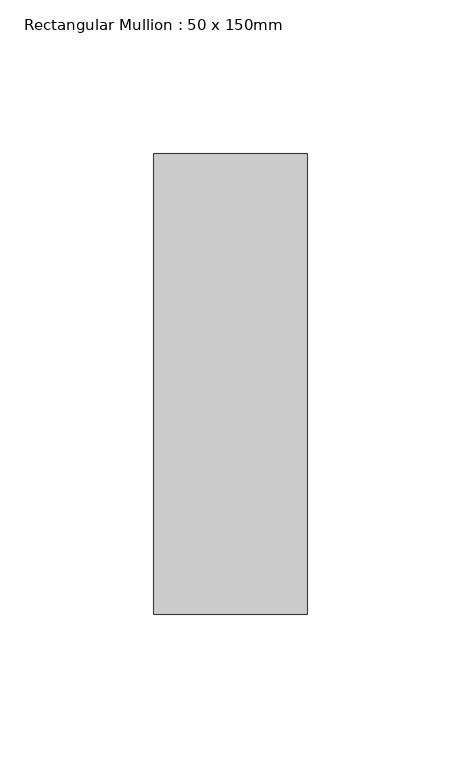
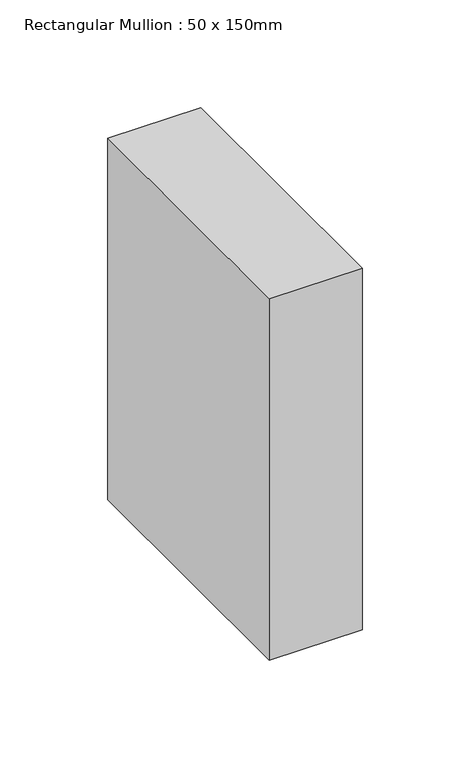
"""IFC4 building model written with IfcOpenShell, lengths in millimetres: member geometry, Rectangular Mullion : 50 x 150mm."""

import ifcopenshell
import ifcopenshell.guid

model = None  # the IFC model being written
_history = None  # IfcOwnerHistory: only IFC2X3 demands one
_inside = {}  # id of a spatial element -> (the spatial element, [elements in it])
_under = {}  # id of a project, library or spatial element -> (it, [spatial elements below it])
_declared = {}  # id of a project -> (the project, [libraries it declares])
_typed = {}  # id of a type object -> (the type object, [elements of that type])
_made_of = {}  # id of a material, layer set ... -> (it, [elements and type objects made of it])


def new_model(schema):
    """Start an empty IFC model of exactly this schema.

    Asked for "IFC4X3", IfcOpenShell would pick the latest addendum, in which some entities
    have other attributes; the version numbers below select the first issue.
    IFC2X3 requires an IfcOwnerHistory on every rooted entity: one is made here for all.
    """
    global model, _history
    if schema == "IFC4X3":
        model = ifcopenshell.file(schema_version=(4, 3, 0, 0))
    else:
        model = ifcopenshell.file(schema=schema)
    _inside.clear()
    _under.clear()
    _declared.clear()
    _typed.clear()
    _made_of.clear()
    _history = None
    if model.schema == "IFC2X3":
        org = make("IfcOrganization", Name="unknown")
        user = make(
            "IfcPersonAndOrganization",
            ThePerson=make("IfcPerson", FamilyName="unknown"),
            TheOrganization=org,
        )
        app = make(
            "IfcApplication",
            ApplicationDeveloper=org,
            Version="unknown",
            ApplicationFullName="unknown",
            ApplicationIdentifier="unknown",
        )
        _history = make(
            "IfcOwnerHistory",
            OwningUser=user,
            OwningApplication=app,
            ChangeAction="ADDED",
            CreationDate=0,
        )
    return model


def make(cls, **values):
    """One entity of the class cls with the attributes given. An attribute that is None is left unset."""
    return model.create_entity(
        cls, **{name: value for name, value in values.items() if value is not None}
    )


def rooted(cls, **values):
    """An entity with a GlobalId (a new one), such as an element, a storey or a relation."""
    return make(cls, GlobalId=ifcopenshell.guid.new(), OwnerHistory=_history, **values)


def si_unit(unit_type, name, prefix=None):
    """IfcSIUnit, for example si_unit("LENGTHUNIT", "METRE", prefix="MILLI")."""
    return make("IfcSIUnit", UnitType=unit_type, Prefix=prefix, Name=name)


def assignment(units):
    """IfcUnitAssignment: the units of a project."""
    return None if units is None else make("IfcUnitAssignment", Units=units)


def point(xyz):
    """IfcCartesianPoint."""
    return None if xyz is None else make("IfcCartesianPoint", Coordinates=xyz)


def direction(xyz):
    """IfcDirection."""
    return None if xyz is None else make("IfcDirection", DirectionRatios=xyz)


def frame(location, z_axis=None, x_axis=None):
    """IfcAxis2Placement3D, a coordinate frame: its origin and axes. An axis left out is left unset."""
    return make(
        "IfcAxis2Placement3D",
        Location=point(location),
        Axis=direction(z_axis),
        RefDirection=direction(x_axis),
    )


def origin():
    """The frame at (0, 0, 0) with its axes left unset."""
    return frame((0.0, 0.0, 0.0))


def place(relative_to, where):
    """IfcLocalPlacement: puts the frame where relative to a parent placement (None: the world)."""
    return make(
        "IfcLocalPlacement", PlacementRelTo=relative_to, RelativePlacement=where
    )


def context(
    kind, dimensions, precision=None, world=None, true_north=None, identifier=None
):
    """IfcGeometricRepresentationContext, for example the 3D "Model" context."""
    return make(
        "IfcGeometricRepresentationContext",
        ContextIdentifier=identifier,
        ContextType=kind,
        CoordinateSpaceDimension=dimensions,
        Precision=precision,
        WorldCoordinateSystem=world,
        TrueNorth=true_north,
    )


def project(units=None, contexts=None):
    """IfcProject with its units and contexts."""
    return rooted(
        "IfcProject",
        Name="project",
        RepresentationContexts=contexts,
        UnitsInContext=assignment(units),
    )


def spatial(cls, under=None, at=None, **own):
    """A site, building, storey or space (cls), placed at a placement, below another one or the project."""
    s = rooted(cls, ObjectPlacement=at, **own)
    if under is not None:
        _under.setdefault(under.id(), (under, []))[1].append(s)
    return s


def polyline(points):
    """IfcPolyline through the points."""
    return make("IfcPolyline", Points=[point(p) for p in points])


def outline(outer, holes=None, kind="AREA"):
    """IfcArbitraryClosedProfileDef: a profile drawn as a closed curve; with holes, ...WithVoids."""
    if holes is None:
        return make("IfcArbitraryClosedProfileDef", ProfileType=kind, OuterCurve=outer)
    return make(
        "IfcArbitraryProfileDefWithVoids",
        ProfileType=kind,
        OuterCurve=outer,
        InnerCurves=holes,
    )


def extrude(swept, where, along, depth):
    """IfcExtrudedAreaSolid: the profile swept, set in the frame where, extruded along a direction by depth."""
    return make(
        "IfcExtrudedAreaSolid",
        SweptArea=swept,
        Position=where,
        ExtrudedDirection=direction(along),
        Depth=depth,
    )


def shape(context_of_items, identifier, shape_type, items):
    """IfcShapeRepresentation: the items that make up one representation, for example the "Body"."""
    return make(
        "IfcShapeRepresentation",
        ContextOfItems=context_of_items,
        RepresentationIdentifier=identifier,
        RepresentationType=shape_type,
        Items=items,
    )


def source(mapping_origin, context_of_items, identifier, shape_type, items):
    """IfcRepresentationMap: a shape defined once, which mapped items show again and again."""
    return make(
        "IfcRepresentationMap",
        MappingOrigin=mapping_origin,
        MappedRepresentation=shape(context_of_items, identifier, shape_type, items),
    )


def transform(
    local_origin,
    x_axis=None,
    y_axis=None,
    z_axis=None,
    scale=None,
    scale2=None,
    scale3=None,
    uniform=True,
):
    """IfcCartesianTransformationOperator3D, or its non-uniform kind. x_axis, y_axis, z_axis: its Axis1, 2, 3."""
    if uniform:
        return make(
            "IfcCartesianTransformationOperator3D",
            Axis1=direction(x_axis),
            Axis2=direction(y_axis),
            LocalOrigin=point(local_origin),
            Scale=scale,
            Axis3=direction(z_axis),
        )
    return make(
        "IfcCartesianTransformationOperator3DnonUniform",
        Axis1=direction(x_axis),
        Axis2=direction(y_axis),
        LocalOrigin=point(local_origin),
        Scale=scale,
        Axis3=direction(z_axis),
        Scale2=scale2,
        Scale3=scale3,
    )


def mapped(mapping_source, mapping_target):
    """IfcMappedItem: shows the shape of a source again, moved by a transform."""
    return make(
        "IfcMappedItem", MappingSource=mapping_source, MappingTarget=mapping_target
    )


def made_of(thing, what):
    """Note that an element or type object is made of a material, layer set ...; save() writes the relation."""
    if what is not None:
        _made_of.setdefault(what.id(), (what, []))[1].append(thing)
    return thing


def element(
    cls,
    number,
    at=None,
    inside=None,
    cuts=None,
    type_object=None,
    material=None,
    context=None,
    identifier="Body",
    shape_type=None,
    held_by="IfcProductDefinitionShape",
    body=None,
    shapes=None,
    **own,
):
    """One element of the class cls, such as IfcWall. Its Tag is "e" and its number.

    at: its placement. inside: the storey or other place that contains it. cuts: it is an
    opening in that element (IfcRelVoidsElement). A single representation is given by context,
    identifier, shape_type and body (its items); several are given by shapes. held_by: the class
    of the entity that holds the representations. save() writes the other relations.
    """
    e = rooted(cls, Tag="e%d" % number, ObjectPlacement=at, **own)
    if body is not None:
        shapes = [shape(context, identifier, shape_type, body)]
    if shapes is not None:
        e.Representation = make(held_by, Representations=shapes)
    if inside is not None:
        _inside.setdefault(inside.id(), (inside, []))[1].append(e)
    if cuts is not None:
        rooted(
            "IfcRelVoidsElement", RelatingBuildingElement=cuts, RelatedOpeningElement=e
        )
    if type_object is not None:
        _typed.setdefault(type_object.id(), (type_object, []))[1].append(e)
    return made_of(e, material)


def aggregate(whole, parts):
    """IfcRelAggregates: a whole, such as a stair, and the parts it consists of."""
    return rooted("IfcRelAggregates", RelatingObject=whole, RelatedObjects=parts)


def save(model, path):
    """Write the relations noted so far, then the file.

    IfcRelAggregates (storeys below a building ...), IfcRelContainedInSpatialStructure (elements
    in a storey), IfcRelDefinesByType, IfcRelAssociatesMaterial and IfcRelDeclares: one each for
    every whole, place, type object, material and project.
    """
    for whole, parts in _under.values():
        aggregate(whole, parts)
    for where, things in _inside.values():
        rooted(
            "IfcRelContainedInSpatialStructure",
            RelatedElements=things,
            RelatingStructure=where,
        )
    for kind, things in _typed.values():
        rooted("IfcRelDefinesByType", RelatedObjects=things, RelatingType=kind)
    for what, things in _made_of.values():
        rooted("IfcRelAssociatesMaterial", RelatedObjects=things, RelatingMaterial=what)
    for by, libraries in _declared.values():
        rooted("IfcRelDeclares", RelatingContext=by, RelatedDefinitions=libraries)
    model.write(path)


def rectangular_mullion_50_x_150mm_28e6c470(model_context):
    return source(origin(), model_context, "Body", "SweptSolid", [
        extrude(outline(polyline([(0.0, 75.0), (0.0, -75.0), (-50.0, -75.0), (-50.0, 75.0), (0.0, 75.0)])), frame((0.0, 0.0, -205.0), z_axis=(0.0, 0.0, 1.0), x_axis=(1.0, 0.0, 0.0)), (0.0, 0.0, 1.0), 205.0),
    ])


if __name__ == "__main__":
    model = new_model("IFC4")
    model_context = context("Model", 3, world=origin())
    ifc_project = project(units=[si_unit("LENGTHUNIT", "METRE", prefix="MILLI")], contexts=[model_context])
    site = spatial("IfcSite", under=ifc_project)
    building = spatial("IfcBuilding", under=site)
    placement = place(None, origin())
    rectangular_mullion_50_x_150mm_shape = rectangular_mullion_50_x_150mm_28e6c470(model_context)
    element("IfcMember", 1, ObjectType="Rectangular Mullion : 50 x 150mm", at=placement, inside=building, context=model_context, shape_type="MappedRepresentation", body=[
        mapped(rectangular_mullion_50_x_150mm_shape, transform((0.0, 0.0, 0.0), x_axis=(1.0, 0.0, 0.0), y_axis=(0.0, 1.0, 0.0), z_axis=(0.0, 0.0, 1.0))),
    ])
    save(model, "model.ifc")
